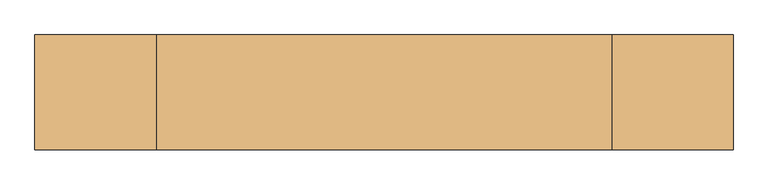
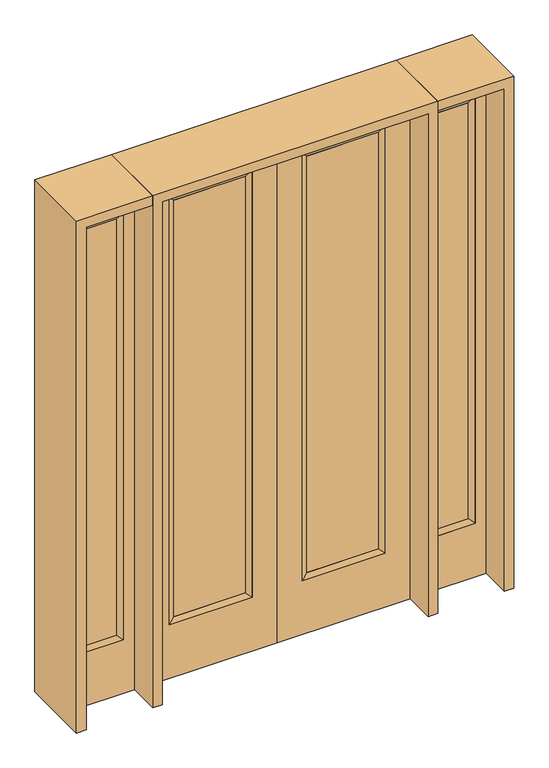
"""IFC4 building model written with IfcOpenShell, lengths in millimetres: door geometry."""

from ifc_helpers import new_model, si_unit, frame, origin, place, context, project, spatial, polyline, outline, extrude, faceted_brep, source, transform, mapped, element, save


def door_f914922d(model_context):
    return source(origin(), model_context, "Body", "SolidModel", [
        extrude(outline(polyline([(140.8176, -12.7039749), (140.8176, 14.2875), (468.7824, 14.2875), (468.7824, -12.7039749), (140.8176, -12.7039749)])), frame((0.0, 0.0, 285.75), z_axis=(0.0, 0.0, 1.0), x_axis=(1.0, 0.0, 0.0)), (0.0, 0.0, 1.0), 2019.3),
        faceted_brep([(140.8176, 14.2875, 2305.05), (140.8176, 14.2875, 285.75), (115.4176, 22.225, 260.35), (115.4176, 22.225, 2330.45), (115.4176, -22.225, 260.35), (115.4176, -22.225, 2330.45), (468.7824, 14.2875, 285.75), (494.1824, 22.225, 260.35), (140.8176, -12.7039749, 2305.05), (140.8176, -12.7039749, 285.75), (468.7824, -12.7039749, 285.75), (494.1824, -22.225, 260.35), (468.7824, 14.2875, 2305.05), (494.1824, 22.225, 2330.45), (468.7824, -12.7039749, 2305.05), (494.1824, -22.225, 2330.45)], [[[0, 1, 2, 3]], [[3, 2, 4, 5]], [[1, 6, 7, 2]], [[8, 9, 1, 0]], [[9, 10, 6, 1]], [[5, 4, 9, 8]], [[4, 11, 10, 9]], [[2, 7, 11, 4]], [[6, 12, 13, 7]], [[10, 14, 12, 6]], [[11, 15, 14, 10]], [[7, 13, 15, 11]], [[12, 0, 3, 13]], [[14, 8, 0, 12]], [[15, 5, 8, 14]], [[13, 3, 5, 15]]]),
        extrude(outline(polyline([(0.0, 609.6), (2438.4, 609.6), (2438.4, 0.0), (0.0, 0.0), (0.0, 609.6)]), holes=[polyline([(260.35, 494.1824), (260.35, 115.4176), (2330.45, 115.4176), (2330.45, 494.1824), (260.35, 494.1824)])]), frame((0.0, -22.225, 0.0), z_axis=(0.0, 1.0, 0.0), x_axis=(0.0, 0.0, 1.0)), (0.0, 0.0, 1.0), 44.45),
        extrude(outline(polyline([(-140.8176, -12.7039749), (-468.7824, -12.7039749), (-468.7824, 14.2875), (-140.8176, 14.2875), (-140.8176, -12.7039749)])), frame((0.0, 0.0, 285.75), z_axis=(0.0, 0.0, 1.0), x_axis=(1.0, 0.0, 0.0)), (0.0, 0.0, 1.0), 2019.3),
        faceted_brep([(-140.8176, 14.2875, 2305.05), (-115.4176, 22.225, 2330.45), (-115.4176, 22.225, 260.35), (-140.8176, 14.2875, 285.75), (-115.4176, -22.225, 2330.45), (-115.4176, -22.225, 260.35), (-494.1824, 22.225, 260.35), (-468.7824, 14.2875, 285.75), (-140.8176, -12.7039749, 2305.05), (-140.8176, -12.7039749, 285.75), (-468.7824, -12.7039749, 285.75), (-494.1824, -22.225, 260.35), (-494.1824, 22.225, 2330.45), (-468.7824, 14.2875, 2305.05), (-468.7824, -12.7039749, 2305.05), (-494.1824, -22.225, 2330.45)], [[[0, 1, 2, 3]], [[1, 4, 5, 2]], [[3, 2, 6, 7]], [[8, 0, 3, 9]], [[9, 3, 7, 10]], [[4, 8, 9, 5]], [[5, 9, 10, 11]], [[2, 5, 11, 6]], [[7, 6, 12, 13]], [[10, 7, 13, 14]], [[11, 10, 14, 15]], [[6, 11, 15, 12]], [[13, 12, 1, 0]], [[14, 13, 0, 8]], [[15, 14, 8, 4]], [[12, 15, 4, 1]]]),
        extrude(outline(polyline([(0.0, -609.6), (0.0, 0.0), (2438.4, 0.0), (2438.4, -609.6), (0.0, -609.6)]), holes=[polyline([(260.35, -494.1824), (2330.45, -494.1824), (2330.45, -115.4176), (260.35, -115.4176), (260.35, -494.1824)])]), frame((0.0, -22.225, 0.0), z_axis=(0.0, 1.0, 0.0), x_axis=(0.0, 0.0, 1.0)), (0.0, 0.0, 1.0), 44.45),
        faceted_brep([(704.85, 20.6375, 2330.45), (704.85, 20.6375, 260.35), (704.85, -20.6375, 260.35), (704.85, -20.6375, 2330.45), (730.25, -12.7, 285.75), (730.25, -12.7, 2305.05), (908.05, 20.6375, 260.35), (908.05, -20.6375, 260.35), (730.25, 12.7, 2305.05), (730.25, 12.7, 285.75), (882.65, 12.7, 285.75), (882.65, -12.7, 285.75), (908.05, 20.6375, 2330.45), (908.05, -20.6375, 2330.45), (882.65, 12.7, 2305.05), (882.65, -12.7, 2305.05)], [[[0, 1, 2, 3]], [[3, 2, 4, 5]], [[1, 6, 7, 2]], [[8, 9, 1, 0]], [[9, 10, 6, 1]], [[5, 4, 9, 8]], [[4, 11, 10, 9]], [[2, 7, 11, 4]], [[6, 12, 13, 7]], [[10, 14, 12, 6]], [[11, 15, 14, 10]], [[7, 13, 15, 11]], [[12, 0, 3, 13]], [[14, 8, 0, 12]], [[15, 5, 8, 14]], [[13, 3, 5, 15]]]),
        extrude(outline(polyline([(0.0, 958.85), (2438.4, 958.85), (2438.4, 654.05), (0.0, 654.05), (0.0, 958.85)]), holes=[polyline([(2330.45, 704.85), (2330.45, 908.05), (260.35, 908.05), (260.35, 704.85), (2330.45, 704.85)])]), frame((0.0, -20.6375, 0.0), z_axis=(0.0, 1.0, 0.0), x_axis=(0.0, 0.0, 1.0)), (0.0, 0.0, 1.0), 41.275),
        extrude(outline(polyline([(730.25, -12.7), (730.25, 12.7), (882.65, 12.7), (882.65, -12.7), (730.25, -12.7)])), frame((0.0, 0.0, 285.75), z_axis=(0.0, 0.0, 1.0), x_axis=(1.0, 0.0, 0.0)), (0.0, 0.0, 1.0), 2019.3),
        faceted_brep([(-704.85, 20.6375, 2330.45), (-704.85, -20.6375, 2330.45), (-704.85, -20.6375, 260.35), (-704.85, 20.6375, 260.35), (-730.25, -12.7, 2305.05), (-730.25, -12.7, 285.75), (-908.05, -20.6375, 260.35), (-908.05, 20.6375, 260.35), (-730.25, 12.7, 2305.05), (-730.25, 12.7, 285.75), (-882.65, 12.7, 285.75), (-882.65, -12.7, 285.75), (-908.05, -20.6375, 2330.45), (-908.05, 20.6375, 2330.45), (-882.65, 12.7, 2305.05), (-882.65, -12.7, 2305.05)], [[[0, 1, 2, 3]], [[1, 4, 5, 2]], [[3, 2, 6, 7]], [[8, 0, 3, 9]], [[9, 3, 7, 10]], [[4, 8, 9, 5]], [[5, 9, 10, 11]], [[2, 5, 11, 6]], [[7, 6, 12, 13]], [[10, 7, 13, 14]], [[11, 10, 14, 15]], [[6, 11, 15, 12]], [[13, 12, 1, 0]], [[14, 13, 0, 8]], [[15, 14, 8, 4]], [[12, 15, 4, 1]]]),
        extrude(outline(polyline([(0.0, -958.85), (0.0, -654.05), (2438.4, -654.05), (2438.4, -958.85), (0.0, -958.85)]), holes=[polyline([(2330.45, -704.85), (260.35, -704.85), (260.35, -908.05), (2330.45, -908.05), (2330.45, -704.85)])]), frame((0.0, -20.6375, 0.0), z_axis=(0.0, 1.0, 0.0), x_axis=(0.0, 0.0, 1.0)), (0.0, 0.0, 1.0), 41.275),
        extrude(outline(polyline([(-730.25, -12.7), (-882.65, -12.7), (-882.65, 12.7), (-730.25, 12.7), (-730.25, -12.7)])), frame((0.0, 0.0, 285.75), z_axis=(0.0, 0.0, 1.0), x_axis=(1.0, 0.0, 0.0)), (0.0, 0.0, 1.0), 2019.3),
        extrude(outline(polyline([(2438.4, -654.05), (2482.85, -654.05), (2482.85, -1003.3), (0.0, -1003.3), (0.0, -958.85), (2438.4, -958.85), (2438.4, -654.05)])), frame((0.0, -165.1, 0.0), z_axis=(0.0, 1.0, 0.0), x_axis=(0.0, 0.0, 1.0)), (0.0, 0.0, 1.0), 330.2),
        extrude(outline(polyline([(2482.85, -654.05), (0.0, -654.05), (0.0, -609.6), (2438.4, -609.6), (2438.4, 609.6), (0.0, 609.6), (0.0, 654.05), (2482.85, 654.05), (2482.85, -654.05)])), frame((0.0, -165.1, 0.0), z_axis=(0.0, 1.0, 0.0), x_axis=(0.0, 0.0, 1.0)), (0.0, 0.0, 1.0), 330.2),
        extrude(outline(polyline([(0.0, 958.85), (0.0, 1003.3), (2482.85, 1003.3), (2482.85, 654.05), (2438.4, 654.05), (2438.4, 958.85), (0.0, 958.85)])), frame((0.0, -165.1, 0.0), z_axis=(0.0, 1.0, 0.0), x_axis=(0.0, 0.0, 1.0)), (0.0, 0.0, 1.0), 330.2),
    ])


if __name__ == "__main__":
    model = new_model("IFC4")
    model_context = context("Model", 3, world=origin())
    ifc_project = project(units=[si_unit("LENGTHUNIT", "METRE", prefix="MILLI")], contexts=[model_context])
    site = spatial("IfcSite", under=ifc_project)
    building = spatial("IfcBuilding", under=site)
    placement = place(None, origin())
    door_shape = door_f914922d(model_context)
    element("IfcDoor", 1, at=placement, inside=building, context=model_context, shape_type="MappedRepresentation", body=[
        mapped(door_shape, transform((0.0, 0.0, 0.0), x_axis=(1.0, 0.0, 0.0), y_axis=(0.0, 1.0, 0.0), z_axis=(0.0, 0.0, 1.0))),
    ])
    save(model, "model.ifc")
